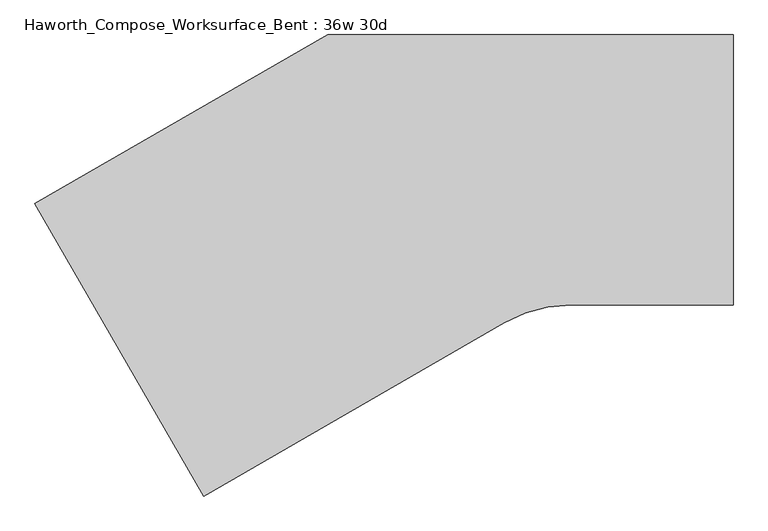
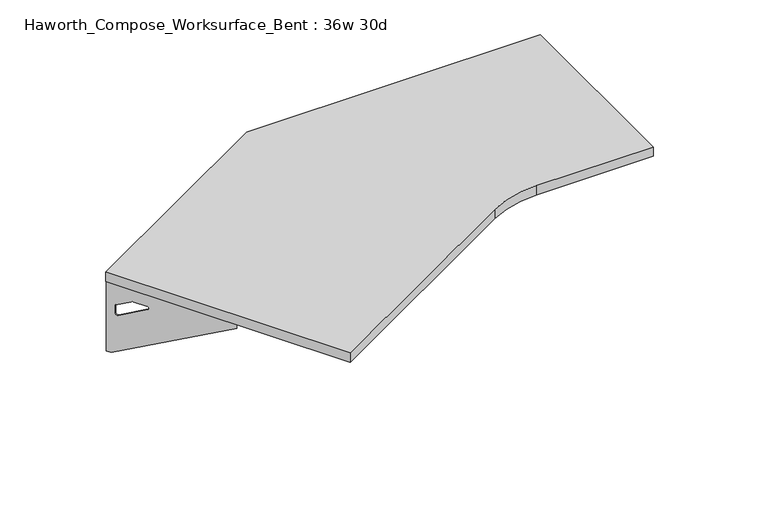
"""IFC4 building model written with IfcOpenShell, lengths in millimetres: furniture geometry, Haworth_Compose_Worksurface_Bent : 36w 30d."""

from ifc_helpers import new_model, si_unit, point, frame, frame_2d, origin, place, context, project, spatial, polyline, circle_curve, trimmed, segment, composite_curve, outline, extrude, source, transform, mapped, element, save
from ifc_brep_helpers import plane_surface, revolved_surface, advanced_brep


def haworth_compose_worksurface_bent_36w_30d_f4eb18a9(model_context):
    return source(origin(), model_context, "Body", "SolidModel", [
        advanced_brep(
        [(146.84375, 304.8, 475.45625), (146.84375, 288.925, 475.45625), (146.84375, -101.6, 691.7192568), (146.84375, -101.6, 704.05625), (146.84375, 288.925, 704.05625), (146.84375, 304.8, 704.05625), (146.84375, 221.490072, 665.95625), (146.84375, 177.8355284, 665.95625), (146.84375, 175.1564235, 656.3705539), (146.84375, 266.8776173, 605.5776439), (146.84375, 276.225, 611.1756969), (146.84375, 276.225, 634.6860246), (146.84375, 274.4730055, 637.5242776), (146.84375, 224.5663437, 665.1613425), (149.225, 304.8, 475.45625), (149.225, 304.8, 704.05625), (149.225, 288.925, 704.05625), (149.225, 288.925, 706.4375), (149.225, -101.6, 706.4375), (149.225, -101.6, 691.7192568), (149.225, 288.925, 475.45625), (149.225, 221.490072, 665.95625), (149.225, 224.5663437, 665.1613425), (149.225, 274.4730055, 637.5242776), (149.225, 276.225, 634.6860246), (149.225, 276.225, 611.1756969), (149.225, 266.8776173, 605.5776439), (149.225, 175.1564235, 656.3705539), (149.225, 177.8355284, 665.95625), (107.95, -101.6, 706.4375), (107.95, -101.6, 704.05625), (107.95, 288.925, 704.05625), (107.95, 288.925, 706.4375)],
        [
            (0, 1),
            (1, 2),
            (2, 3),
            (3, 4),
            (4, 5),
            (5, 0),
            (6, 7),
            (7, 8, circle_curve(frame((146.84375, 177.8355284, 660.7890106), z_axis=(1.0, 0.0, 0.0), x_axis=(0.0, -1.0, 0.0)), 5.1672394)),
            (8, 9),
            (9, 10, circle_curve(frame((146.84375, 269.875, 611.1756969), z_axis=(1.0, 0.0, 0.0), x_axis=(0.0, -1.0, 0.0)), 6.35)),
            (10, 11),
            (11, 12, circle_curve(frame((146.84375, 273.05, 634.6860246), z_axis=(1.0, 0.0, 0.0), x_axis=(0.0, -1.0, 0.0)), 3.175)),
            (12, 13),
            (13, 6, circle_curve(frame((146.84375, 221.490072, 659.60625), z_axis=(1.0, 0.0, 0.0), x_axis=(0.0, -1.0, 0.0)), 6.35)),
            (14, 15),
            (15, 16),
            (16, 17),
            (17, 18),
            (18, 19),
            (19, 20),
            (20, 14),
            (21, 22, circle_curve(frame((149.225, 221.490072, 659.60625), z_axis=(-1.0, 0.0, 0.0), x_axis=(0.0, -1.0, 0.0)), 6.35)),
            (22, 23),
            (23, 24, circle_curve(frame((149.225, 273.05, 634.6860246), z_axis=(-1.0, 0.0, 0.0), x_axis=(0.0, -1.0, 0.0)), 3.175)),
            (24, 25),
            (25, 26, circle_curve(frame((149.225, 269.875, 611.1756969), z_axis=(-1.0, 0.0, 0.0), x_axis=(0.0, -1.0, 0.0)), 6.35)),
            (26, 27),
            (27, 28, circle_curve(frame((149.225, 177.8355284, 660.7890106), z_axis=(-1.0, 0.0, 0.0), x_axis=(0.0, -1.0, 0.0)), 5.1672394)),
            (28, 21),
            (4, 16),
            (15, 5),
            (14, 0),
            (20, 1),
            (19, 2),
            (18, 29),
            (29, 30),
            (30, 3),
            (6, 21),
            (28, 7),
            (9, 26),
            (25, 10),
            (24, 11),
            (23, 12),
            (27, 8),
            (31, 4),
            (30, 31),
            (32, 29),
            (17, 32),
            (31, 32),
            (22, 13),
        ],
        [
            plane_surface(frame((146.84375, 304.8, 475.45625), z_axis=(-1.0, 0.0, 0.0), x_axis=(0.0, 1.0, 0.0))),
            plane_surface(frame((149.225, 304.8, 475.45625), z_axis=(1.0, 0.0, 0.0), x_axis=(0.0, -1.0, 0.0))),
            plane_surface(frame((149.225, -101.6, 704.05625), z_axis=(0.0, 0.0, 1.0), x_axis=(-1.0, 0.0, 0.0))),
            plane_surface(frame((149.225, 304.8, 704.05625), z_axis=(0.0, 1.0, 0.0), x_axis=(-1.0, 0.0, 0.0))),
            plane_surface(frame((149.225, 304.8, 475.45625), z_axis=(0.0, 0.0, -1.0), x_axis=(-1.0, 0.0, 0.0))),
            plane_surface(frame((149.225, 288.925, 475.45625), z_axis=(0.0, -0.48445223513455843, -0.8748177135112952), x_axis=(-1.0, 0.0, 0.0))),
            plane_surface(frame((149.225, -101.6, 691.7192568), z_axis=(0.0, -1.0, 0.0), x_axis=(-1.0, 0.0, 0.0))),
            plane_surface(frame((149.225, 221.490072, 665.95625), z_axis=(0.0, 0.0, -1.0), x_axis=(-1.0, 0.0, 0.0))),
            revolved_surface(polyline([(146.84375, 263.525, 611.1756969), (149.225, 263.525, 611.1756969)]), (149.225, 269.875, 611.1756969), (-1.0, 0.0, 0.0)),
            plane_surface(frame((149.225, 276.225, 611.1756969), z_axis=(0.0, -1.0, 0.0), x_axis=(-1.0, 0.0, 0.0))),
            revolved_surface(polyline([(146.84375, 269.875, 634.6860246), (149.225, 269.875, 634.6860246)]), (149.225, 273.05, 634.6860246), (-1.0, 0.0, 0.0)),
            revolved_surface(polyline([(146.84375, 172.668289, 660.7890106), (149.225, 172.668289, 660.7890106)]), (149.225, 177.8355284, 660.7890106), (-1.0, 0.0, 0.0)),
            plane_surface(frame((149.225, 288.925, 704.05625), z_axis=(0.0, 0.0, -1.0), x_axis=(-1.0, 0.0, 0.0))),
            plane_surface(frame((149.225, 288.925, 706.4375), z_axis=(0.0, 0.0, 1.0), x_axis=(1.0, 0.0, 0.0))),
            plane_surface(frame((107.95, 288.925, 706.4375), z_axis=(0.0, 1.0, 0.0), x_axis=(0.0, 0.0, -1.0))),
            plane_surface(frame((107.95, -101.6, 706.4375), z_axis=(-1.0, 0.0, 0.0), x_axis=(0.0, 0.0, -1.0))),
            plane_surface(frame((149.225, 175.1564235, 656.3705539), z_axis=(0.0, 0.4844522351345583, 0.8748177135112953), x_axis=(-1.0, 0.0, 0.0))),
            plane_surface(frame((149.225, 274.4730055, 637.5242776), z_axis=(0.0, -0.4844522351345582, -0.8748177135112953), x_axis=(-1.0, 0.0, 0.0))),
            revolved_surface(polyline([(146.84375, 215.140072, 659.60625), (149.225, 215.140072, 659.60625)]), (149.225, 221.490072, 659.60625), (-1.0, 0.0, 0.0)),
        ],
        [
            (0, [[1, 2, 3, 4, 5, 6], [7, 8, 9, 10, 11, 12, 13, 14]]),
            (1, [[15, 16, 17, 18, 19, 20, 21], [22, 23, 24, 25, 26, 27, 28, 29]]),
            (2, [[-5, 30, -16, 31]]),
            (3, [[-31, -15, 32, -6]]),
            (4, [[-32, -21, 33, -1]]),
            (5, [[-33, -20, 34, -2]]),
            (6, [[-34, -19, 35, 36, 37, -3]]),
            (7, [[38, -29, 39, -7]]),
            (8, [[40, -26, 41, -10]]),
            (9, [[-41, -25, 42, -11]]),
            (10, [[-42, -24, 43, -12]]),
            (11, [[-39, -28, 44, -8]]),
            (12, [[45, -4, -37, 46]]),
            (13, [[47, -35, -18, 48]]),
            (14, [[-17, -30, -45, 49, -48]]),
            (15, [[-36, -47, -49, -46]]),
            (16, [[-44, -27, -40, -9]]),
            (17, [[-43, -23, 50, -13]]),
            (18, [[-50, -22, -38, -14]]),
        ],
    ),
        advanced_brep(
        [(-1417.099504, -73.421875, 475.45625), (-1417.099504, -73.421875, 704.05625), (-1409.162004, -87.1700283, 704.05625), (-1213.899504, -425.3745991, 704.05625), (-1213.899504, -425.3745991, 691.7192568), (-1409.162004, -87.1700283, 475.45625), (-1375.44454, -145.570389, 665.95625), (-1376.9826759, -142.9062596, 665.1613425), (-1401.9360068, -99.6858226, 637.5242776), (-1402.812004, -98.1685509, 634.6860246), (-1402.812004, -98.1685509, 611.1756969), (-1398.1383127, -106.2636218, 605.5776439), (-1352.2777158, -185.6965057, 656.3705539), (-1353.6172682, -183.3763328, 665.95625), (-1419.161727, -74.6125, 475.45625), (-1411.224227, -88.3606533, 475.45625), (-1215.961727, -426.5652241, 691.7192568), (-1215.961727, -426.5652241, 706.4375), (-1411.224227, -88.3606533, 706.4375), (-1411.224227, -88.3606533, 704.05625), (-1419.161727, -74.6125, 704.05625), (-1377.506763, -146.761014, 665.95625), (-1355.6794912, -184.5669578, 665.95625), (-1354.3399388, -186.8871307, 656.3705539), (-1400.2005357, -107.4542468, 605.5776439), (-1404.874227, -99.3591759, 611.1756969), (-1404.874227, -99.3591759, 634.6860246), (-1403.9982298, -100.8764476, 637.5242776), (-1379.0448989, -144.0968846, 665.1613425), (-1180.2165285, -405.9277241, 704.05625), (-1180.2165285, -405.9277241, 706.4375), (-1375.4790285, -67.7231533, 704.05625), (-1375.4790285, -67.7231533, 706.4375)],
        [
            (0, 1),
            (1, 2),
            (2, 3),
            (3, 4),
            (4, 5),
            (5, 0),
            (6, 7, circle_curve(frame((-1375.44454, -145.570389, 659.60625), z_axis=(-0.8660254037844367, -0.5000000000000036, 0.0), x_axis=(0.5000000000000034, -0.8660254037844365, 0.0)), 6.35)),
            (7, 8),
            (8, 9, circle_curve(frame((-1401.224504, -100.9181816, 634.6860246), z_axis=(-0.8660254037844367, -0.5000000000000036, 0.0), x_axis=(0.5000000000000034, -0.8660254037844365, 0.0)), 3.175)),
            (9, 10),
            (10, 11, circle_curve(frame((-1399.637004, -103.6678122, 611.1756969), z_axis=(-0.8660254037844367, -0.5000000000000036, 0.0), x_axis=(0.5000000000000034, -0.8660254037844365, 0.0)), 6.35)),
            (11, 12),
            (12, 13, circle_curve(frame((-1353.6172682, -183.3763328, 660.7890106), z_axis=(-0.8660254037844367, -0.5000000000000036, 0.0), x_axis=(0.5000000000000034, -0.8660254037844365, 0.0)), 5.1672394)),
            (13, 6),
            (14, 15),
            (15, 16),
            (16, 17),
            (17, 18),
            (18, 19),
            (19, 20),
            (20, 14),
            (21, 22),
            (22, 23, circle_curve(frame((-1355.6794912, -184.5669578, 660.7890106), z_axis=(0.8660254037844367, 0.5000000000000036, 0.0), x_axis=(0.5000000000000034, -0.8660254037844365, 0.0)), 5.1672394)),
            (23, 24),
            (24, 25, circle_curve(frame((-1401.699227, -104.8584372, 611.1756969), z_axis=(0.8660254037844367, 0.5000000000000036, 0.0), x_axis=(0.5000000000000034, -0.8660254037844365, 0.0)), 6.35)),
            (25, 26),
            (26, 27, circle_curve(frame((-1403.286727, -102.1088066, 634.6860246), z_axis=(0.8660254037844367, 0.5000000000000036, 0.0), x_axis=(0.5000000000000034, -0.8660254037844365, 0.0)), 3.175)),
            (27, 28),
            (28, 21, circle_curve(frame((-1377.506763, -146.761014, 659.60625), z_axis=(0.8660254037844367, 0.5000000000000036, 0.0), x_axis=(0.5000000000000034, -0.8660254037844365, 0.0)), 6.35)),
            (1, 20),
            (19, 2),
            (0, 14),
            (5, 15),
            (4, 16),
            (3, 29),
            (29, 30),
            (30, 17),
            (13, 22),
            (21, 6),
            (10, 25),
            (24, 11),
            (9, 26),
            (8, 27),
            (12, 23),
            (31, 29),
            (2, 31),
            (32, 18),
            (30, 32),
            (32, 31),
            (7, 28),
        ],
        [
            plane_surface(frame((-1417.099504, -73.421875, 475.45625), z_axis=(0.8660254037844367, 0.5000000000000036, 0.0), x_axis=(-0.5000000000000036, 0.8660254037844367, 0.0))),
            plane_surface(frame((-1419.161727, -74.6125, 475.45625), z_axis=(-0.8660254037844367, -0.5000000000000036, 0.0), x_axis=(0.5000000000000036, -0.8660254037844367, 0.0))),
            plane_surface(frame((-1215.961727, -426.5652241, 704.05625), z_axis=(0.0, 0.0, 1.0), x_axis=(0.8660254037844358, 0.500000000000005, 0.0))),
            plane_surface(frame((-1419.161727, -74.6125, 704.05625), z_axis=(-0.500000000000005, 0.8660254037844358, 0.0), x_axis=(0.8660254037844358, 0.500000000000005, 0.0))),
            plane_surface(frame((-1419.161727, -74.6125, 475.45625), z_axis=(0.0, 0.0, -1.0), x_axis=(0.8660254037844358, 0.500000000000005, 0.0))),
            plane_surface(frame((-1411.224227, -88.3606533, 475.45625), z_axis=(0.24222611756728163, -0.41954794254667843, -0.8748177135112951), x_axis=(0.8660254037844358, 0.500000000000005, 0.0))),
            plane_surface(frame((-1215.961727, -426.5652241, 691.7192568), z_axis=(0.500000000000005, -0.8660254037844358, 0.0), x_axis=(0.8660254037844358, 0.500000000000005, 0.0))),
            plane_surface(frame((-1377.506763, -146.761014, 665.95625), z_axis=(0.0, 0.0, -1.0), x_axis=(0.8660254037844358, 0.500000000000005, 0.0))),
            revolved_surface(polyline([(-1396.4620040018096, -109.16707351089683, 611.1756969), (-1398.5242270534939, -110.3576985449158, 611.1756969)]), (-1401.699227, -104.8584372, 611.1756969), (0.8660254037844365, 0.5000000000000034, 0.0)),
            plane_surface(frame((-1404.874227, -99.3591759, 611.1756969), z_axis=(0.500000000000005, -0.8660254037844358, 0.0), x_axis=(0.8660254037844358, 0.500000000000005, 0.0))),
            revolved_surface(polyline([(-1399.6370039831966, -103.66781224313517, 634.6860246), (-1401.6992269999998, -104.85843725701558, 634.6860246)]), (-1403.286727, -102.1088066, 634.6860246), (0.8660254037844365, 0.5000000000000034, 0.0)),
            revolved_surface(polyline([(-1351.0336485018095, -187.8512933847015, 660.7890106), (-1353.095871536286, -189.04191840878565, 660.7890106)]), (-1355.6794912, -184.5669578, 660.7890106), (0.8660254037844365, 0.5000000000000034, 0.0)),
            plane_surface(frame((-1411.224227, -88.3606533, 704.05625), z_axis=(0.0, 0.0, -1.0), x_axis=(0.866025403784437, 0.5000000000000029, 0.0))),
            plane_surface(frame((-1411.224227, -88.3606533, 706.4375), z_axis=(0.0, 0.0, 1.0), x_axis=(-0.866025403784437, -0.5000000000000029, 0.0))),
            plane_surface(frame((-1375.4790285, -67.7231533, 706.4375), z_axis=(-0.5000000000000029, 0.866025403784437, 0.0), x_axis=(0.0, 0.0, -1.0))),
            plane_surface(frame((-1180.2165285, -405.9277241, 706.4375), z_axis=(0.8660254037844367, 0.5000000000000036, 0.0), x_axis=(0.0, 0.0, -1.0))),
            plane_surface(frame((-1354.3399388, -186.8871307, 656.3705539), z_axis=(-0.24222611756728157, 0.4195479425466783, 0.8748177135112953), x_axis=(0.8660254037844358, 0.500000000000005, 0.0))),
            plane_surface(frame((-1403.9982298, -100.8764476, 637.5242776), z_axis=(0.24222611756728155, -0.41954794254667827, -0.8748177135112954), x_axis=(0.8660254037844358, 0.500000000000005, 0.0))),
            revolved_surface(polyline([(-1372.2695400018097, -151.06965031089683, 659.60625), (-1374.3317630553156, -152.2602753459675, 659.60625)]), (-1377.506763, -146.761014, 659.60625), (0.8660254037844365, 0.5000000000000034, 0.0)),
        ],
        [
            (0, [[1, 2, 3, 4, 5, 6], [7, 8, 9, 10, 11, 12, 13, 14]]),
            (1, [[15, 16, 17, 18, 19, 20, 21], [22, 23, 24, 25, 26, 27, 28, 29]]),
            (2, [[30, -20, 31, -2]]),
            (3, [[-1, 32, -21, -30]]),
            (4, [[-6, 33, -15, -32]]),
            (5, [[-5, 34, -16, -33]]),
            (6, [[-4, 35, 36, 37, -17, -34]]),
            (7, [[-14, 38, -22, 39]]),
            (8, [[-11, 40, -25, 41]]),
            (9, [[-10, 42, -26, -40]]),
            (10, [[-9, 43, -27, -42]]),
            (11, [[-13, 44, -23, -38]]),
            (12, [[45, -35, -3, 46]]),
            (13, [[47, -18, -37, 48]]),
            (14, [[-47, 49, -46, -31, -19]]),
            (15, [[-45, -49, -48, -36]]),
            (16, [[-12, -41, -24, -44]]),
            (17, [[-8, 50, -28, -43]]),
            (18, [[-7, -39, -29, -50]]),
        ],
    ),
        extrude(outline(composite_curve([segment(polyline([(-762.0, 304.8), (152.4, 304.8), (152.4, -304.8), (-212.1872584, -304.8)]), True, "CONTINUOUS"), segment(trimmed(circle_curve(frame_2d((-212.1872584, -609.6)), 304.8), [point((-212.1872584, -304.8))], [point((-364.5872584, -345.6354569))], True, "CARTESIAN"), True, "CONTINUOUS"), segment(polyline([(-364.5872584, -345.6354569), (-1040.9113577, -736.1113577), (-1421.9113577, -76.2), (-762.0, 304.8)]), True, "CONTINUOUS")], self_intersect=False)), frame((0.0, 0.0, 706.4375), z_axis=(0.0, 0.0, 1.0), x_axis=(1.0, 0.0, 0.0)), (0.0, 0.0, 1.0), 30.1625),
    ])


if __name__ == "__main__":
    model = new_model("IFC4")
    model_context = context("Model", 3, world=origin())
    ifc_project = project(units=[si_unit("LENGTHUNIT", "METRE", prefix="MILLI")], contexts=[model_context])
    site = spatial("IfcSite", under=ifc_project)
    building = spatial("IfcBuilding", under=site)
    placement = place(None, origin())
    haworth_compose_worksurface_bent_36w_30d_shape = haworth_compose_worksurface_bent_36w_30d_f4eb18a9(model_context)
    element("IfcFurniture", 1, ObjectType="Haworth_Compose_Worksurface_Bent : 36w 30d", at=placement, inside=building, context=model_context, shape_type="MappedRepresentation", body=[
        mapped(haworth_compose_worksurface_bent_36w_30d_shape, transform((0.0, 0.0, 0.0), x_axis=(1.0, 0.0, 0.0), y_axis=(0.0, 1.0, 0.0), z_axis=(0.0, 0.0, 1.0))),
    ])
    save(model, "model.ifc")
